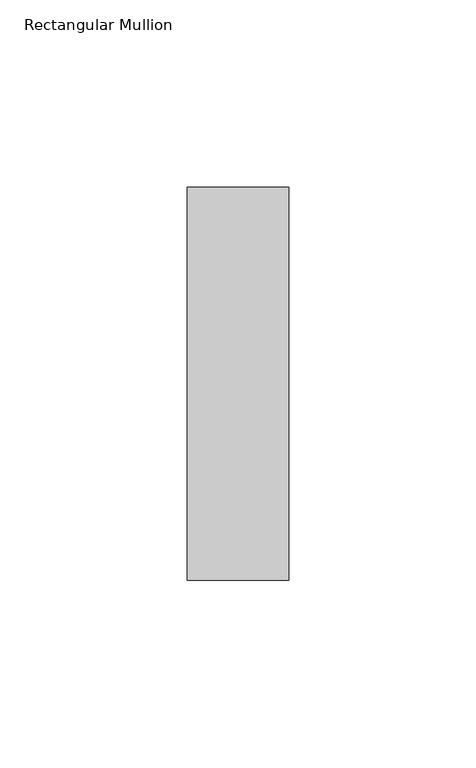
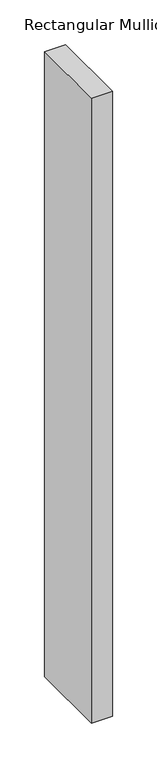
"""IFC4 building model written with IfcOpenShell, lengths in millimetres: member geometry, Rectangular Mullion."""

from ifc_helpers import new_model, si_unit, frame, origin, place, context, project, spatial, polyline, outline, extrude, source, transform, mapped, element, save


def rectangular_mullion_a84763ad(model_context):
    return source(origin(), model_context, "Body", "SweptSolid", [
        extrude(outline(polyline([(0.0, 52.3975), (0.0, -52.3975), (-27.0, -52.3975), (-27.0, 52.3975), (0.0, 52.3975)])), frame((0.0, 0.0, -853.0), z_axis=(0.0, 0.0, 1.0), x_axis=(1.0, 0.0, 0.0)), (0.0, 0.0, 1.0), 853.0),
    ])


if __name__ == "__main__":
    model = new_model("IFC4")
    model_context = context("Model", 3, world=origin())
    ifc_project = project(units=[si_unit("LENGTHUNIT", "METRE", prefix="MILLI")], contexts=[model_context])
    site = spatial("IfcSite", under=ifc_project)
    building = spatial("IfcBuilding", under=site)
    placement = place(None, origin())
    rectangular_mullion_shape = rectangular_mullion_a84763ad(model_context)
    element("IfcMember", 1, ObjectType="Rectangular Mullion", at=placement, inside=building, context=model_context, shape_type="MappedRepresentation", body=[
        mapped(rectangular_mullion_shape, transform((0.0, 0.0, 0.0), x_axis=(1.0, 0.0, 0.0), y_axis=(0.0, 1.0, 0.0), z_axis=(0.0, 0.0, 1.0))),
    ])
    save(model, "model.ifc")
